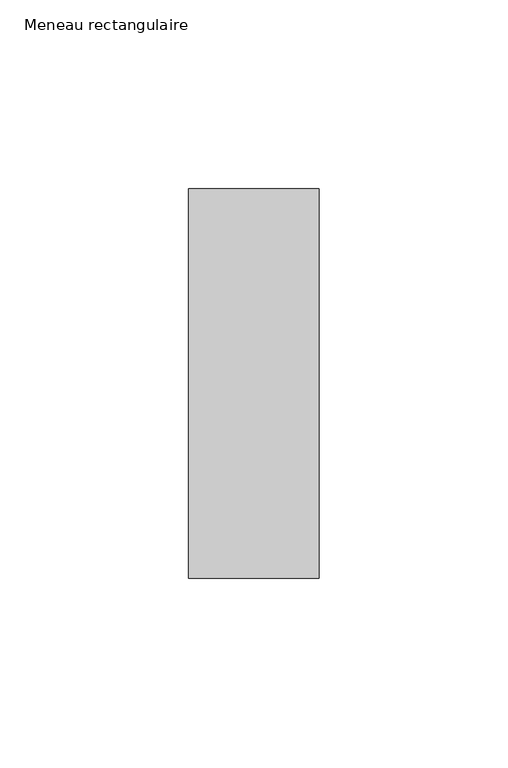
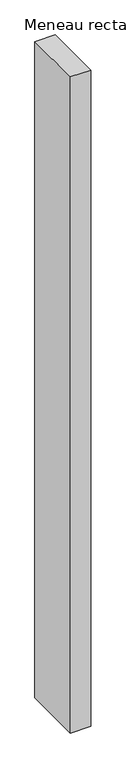
"""IFC4 building model written with IfcOpenShell, lengths in millimetres: member geometry, Meneau rectangulaire."""

import ifcopenshell
import ifcopenshell.guid

model = None  # the IFC model being written
_history = None  # IfcOwnerHistory: only IFC2X3 demands one
_inside = {}  # id of a spatial element -> (the spatial element, [elements in it])
_under = {}  # id of a project, library or spatial element -> (it, [spatial elements below it])
_declared = {}  # id of a project -> (the project, [libraries it declares])
_typed = {}  # id of a type object -> (the type object, [elements of that type])
_made_of = {}  # id of a material, layer set ... -> (it, [elements and type objects made of it])


def new_model(schema):
    """Start an empty IFC model of exactly this schema.

    Asked for "IFC4X3", IfcOpenShell would pick the latest addendum, in which some entities
    have other attributes; the version numbers below select the first issue.
    IFC2X3 requires an IfcOwnerHistory on every rooted entity: one is made here for all.
    """
    global model, _history
    if schema == "IFC4X3":
        model = ifcopenshell.file(schema_version=(4, 3, 0, 0))
    else:
        model = ifcopenshell.file(schema=schema)
    _inside.clear()
    _under.clear()
    _declared.clear()
    _typed.clear()
    _made_of.clear()
    _history = None
    if model.schema == "IFC2X3":
        org = make("IfcOrganization", Name="unknown")
        user = make(
            "IfcPersonAndOrganization",
            ThePerson=make("IfcPerson", FamilyName="unknown"),
            TheOrganization=org,
        )
        app = make(
            "IfcApplication",
            ApplicationDeveloper=org,
            Version="unknown",
            ApplicationFullName="unknown",
            ApplicationIdentifier="unknown",
        )
        _history = make(
            "IfcOwnerHistory",
            OwningUser=user,
            OwningApplication=app,
            ChangeAction="ADDED",
            CreationDate=0,
        )
    return model


def make(cls, **values):
    """One entity of the class cls with the attributes given. An attribute that is None is left unset."""
    return model.create_entity(
        cls, **{name: value for name, value in values.items() if value is not None}
    )


def rooted(cls, **values):
    """An entity with a GlobalId (a new one), such as an element, a storey or a relation."""
    return make(cls, GlobalId=ifcopenshell.guid.new(), OwnerHistory=_history, **values)


def si_unit(unit_type, name, prefix=None):
    """IfcSIUnit, for example si_unit("LENGTHUNIT", "METRE", prefix="MILLI")."""
    return make("IfcSIUnit", UnitType=unit_type, Prefix=prefix, Name=name)


def assignment(units):
    """IfcUnitAssignment: the units of a project."""
    return None if units is None else make("IfcUnitAssignment", Units=units)


def point(xyz):
    """IfcCartesianPoint."""
    return None if xyz is None else make("IfcCartesianPoint", Coordinates=xyz)


def direction(xyz):
    """IfcDirection."""
    return None if xyz is None else make("IfcDirection", DirectionRatios=xyz)


def frame(location, z_axis=None, x_axis=None):
    """IfcAxis2Placement3D, a coordinate frame: its origin and axes. An axis left out is left unset."""
    return make(
        "IfcAxis2Placement3D",
        Location=point(location),
        Axis=direction(z_axis),
        RefDirection=direction(x_axis),
    )


def origin():
    """The frame at (0, 0, 0) with its axes left unset."""
    return frame((0.0, 0.0, 0.0))


def place(relative_to, where):
    """IfcLocalPlacement: puts the frame where relative to a parent placement (None: the world)."""
    return make(
        "IfcLocalPlacement", PlacementRelTo=relative_to, RelativePlacement=where
    )


def context(
    kind, dimensions, precision=None, world=None, true_north=None, identifier=None
):
    """IfcGeometricRepresentationContext, for example the 3D "Model" context."""
    return make(
        "IfcGeometricRepresentationContext",
        ContextIdentifier=identifier,
        ContextType=kind,
        CoordinateSpaceDimension=dimensions,
        Precision=precision,
        WorldCoordinateSystem=world,
        TrueNorth=true_north,
    )


def project(units=None, contexts=None):
    """IfcProject with its units and contexts."""
    return rooted(
        "IfcProject",
        Name="project",
        RepresentationContexts=contexts,
        UnitsInContext=assignment(units),
    )


def spatial(cls, under=None, at=None, **own):
    """A site, building, storey or space (cls), placed at a placement, below another one or the project."""
    s = rooted(cls, ObjectPlacement=at, **own)
    if under is not None:
        _under.setdefault(under.id(), (under, []))[1].append(s)
    return s


def polyline(points):
    """IfcPolyline through the points."""
    return make("IfcPolyline", Points=[point(p) for p in points])


def outline(outer, holes=None, kind="AREA"):
    """IfcArbitraryClosedProfileDef: a profile drawn as a closed curve; with holes, ...WithVoids."""
    if holes is None:
        return make("IfcArbitraryClosedProfileDef", ProfileType=kind, OuterCurve=outer)
    return make(
        "IfcArbitraryProfileDefWithVoids",
        ProfileType=kind,
        OuterCurve=outer,
        InnerCurves=holes,
    )


def extrude(swept, where, along, depth):
    """IfcExtrudedAreaSolid: the profile swept, set in the frame where, extruded along a direction by depth."""
    return make(
        "IfcExtrudedAreaSolid",
        SweptArea=swept,
        Position=where,
        ExtrudedDirection=direction(along),
        Depth=depth,
    )


def shape(context_of_items, identifier, shape_type, items):
    """IfcShapeRepresentation: the items that make up one representation, for example the "Body"."""
    return make(
        "IfcShapeRepresentation",
        ContextOfItems=context_of_items,
        RepresentationIdentifier=identifier,
        RepresentationType=shape_type,
        Items=items,
    )


def source(mapping_origin, context_of_items, identifier, shape_type, items):
    """IfcRepresentationMap: a shape defined once, which mapped items show again and again."""
    return make(
        "IfcRepresentationMap",
        MappingOrigin=mapping_origin,
        MappedRepresentation=shape(context_of_items, identifier, shape_type, items),
    )


def transform(
    local_origin,
    x_axis=None,
    y_axis=None,
    z_axis=None,
    scale=None,
    scale2=None,
    scale3=None,
    uniform=True,
):
    """IfcCartesianTransformationOperator3D, or its non-uniform kind. x_axis, y_axis, z_axis: its Axis1, 2, 3."""
    if uniform:
        return make(
            "IfcCartesianTransformationOperator3D",
            Axis1=direction(x_axis),
            Axis2=direction(y_axis),
            LocalOrigin=point(local_origin),
            Scale=scale,
            Axis3=direction(z_axis),
        )
    return make(
        "IfcCartesianTransformationOperator3DnonUniform",
        Axis1=direction(x_axis),
        Axis2=direction(y_axis),
        LocalOrigin=point(local_origin),
        Scale=scale,
        Axis3=direction(z_axis),
        Scale2=scale2,
        Scale3=scale3,
    )


def mapped(mapping_source, mapping_target):
    """IfcMappedItem: shows the shape of a source again, moved by a transform."""
    return make(
        "IfcMappedItem", MappingSource=mapping_source, MappingTarget=mapping_target
    )


def made_of(thing, what):
    """Note that an element or type object is made of a material, layer set ...; save() writes the relation."""
    if what is not None:
        _made_of.setdefault(what.id(), (what, []))[1].append(thing)
    return thing


def element(
    cls,
    number,
    at=None,
    inside=None,
    cuts=None,
    type_object=None,
    material=None,
    context=None,
    identifier="Body",
    shape_type=None,
    held_by="IfcProductDefinitionShape",
    body=None,
    shapes=None,
    **own,
):
    """One element of the class cls, such as IfcWall. Its Tag is "e" and its number.

    at: its placement. inside: the storey or other place that contains it. cuts: it is an
    opening in that element (IfcRelVoidsElement). A single representation is given by context,
    identifier, shape_type and body (its items); several are given by shapes. held_by: the class
    of the entity that holds the representations. save() writes the other relations.
    """
    e = rooted(cls, Tag="e%d" % number, ObjectPlacement=at, **own)
    if body is not None:
        shapes = [shape(context, identifier, shape_type, body)]
    if shapes is not None:
        e.Representation = make(held_by, Representations=shapes)
    if inside is not None:
        _inside.setdefault(inside.id(), (inside, []))[1].append(e)
    if cuts is not None:
        rooted(
            "IfcRelVoidsElement", RelatingBuildingElement=cuts, RelatedOpeningElement=e
        )
    if type_object is not None:
        _typed.setdefault(type_object.id(), (type_object, []))[1].append(e)
    return made_of(e, material)


def aggregate(whole, parts):
    """IfcRelAggregates: a whole, such as a stair, and the parts it consists of."""
    return rooted("IfcRelAggregates", RelatingObject=whole, RelatedObjects=parts)


def save(model, path):
    """Write the relations noted so far, then the file.

    IfcRelAggregates (storeys below a building ...), IfcRelContainedInSpatialStructure (elements
    in a storey), IfcRelDefinesByType, IfcRelAssociatesMaterial and IfcRelDeclares: one each for
    every whole, place, type object, material and project.
    """
    for whole, parts in _under.values():
        aggregate(whole, parts)
    for where, things in _inside.values():
        rooted(
            "IfcRelContainedInSpatialStructure",
            RelatedElements=things,
            RelatingStructure=where,
        )
    for kind, things in _typed.values():
        rooted("IfcRelDefinesByType", RelatedObjects=things, RelatingType=kind)
    for what, things in _made_of.values():
        rooted("IfcRelAssociatesMaterial", RelatedObjects=things, RelatingMaterial=what)
    for by, libraries in _declared.values():
        rooted("IfcRelDeclares", RelatingContext=by, RelatedDefinitions=libraries)
    model.write(path)


def meneau_rectangulaire_6251ccea(model_context):
    return source(origin(), model_context, "Body", "SweptSolid", [
        extrude(outline(polyline([(0.0, 51.5), (0.0, -51.5), (-34.5, -51.5), (-34.5, 51.5), (0.0, 51.5)])), frame((0.0, 0.0, -1163.0714285), z_axis=(0.0, 0.0, 1.0), x_axis=(1.0, 0.0, 0.0)), (0.0, 0.0, 1.0), 1163.0714285),
    ])


if __name__ == "__main__":
    model = new_model("IFC4")
    model_context = context("Model", 3, world=origin())
    ifc_project = project(units=[si_unit("LENGTHUNIT", "METRE", prefix="MILLI")], contexts=[model_context])
    site = spatial("IfcSite", under=ifc_project)
    building = spatial("IfcBuilding", under=site)
    placement = place(None, origin())
    meneau_rectangulaire_shape = meneau_rectangulaire_6251ccea(model_context)
    element("IfcMember", 1, ObjectType="Meneau rectangulaire", at=placement, inside=building, context=model_context, shape_type="MappedRepresentation", body=[
        mapped(meneau_rectangulaire_shape, transform((0.0, 0.0, 0.0), x_axis=(1.0, 0.0, 0.0), y_axis=(0.0, 1.0, 0.0), z_axis=(0.0, 0.0, 1.0))),
    ])
    save(model, "model.ifc")
